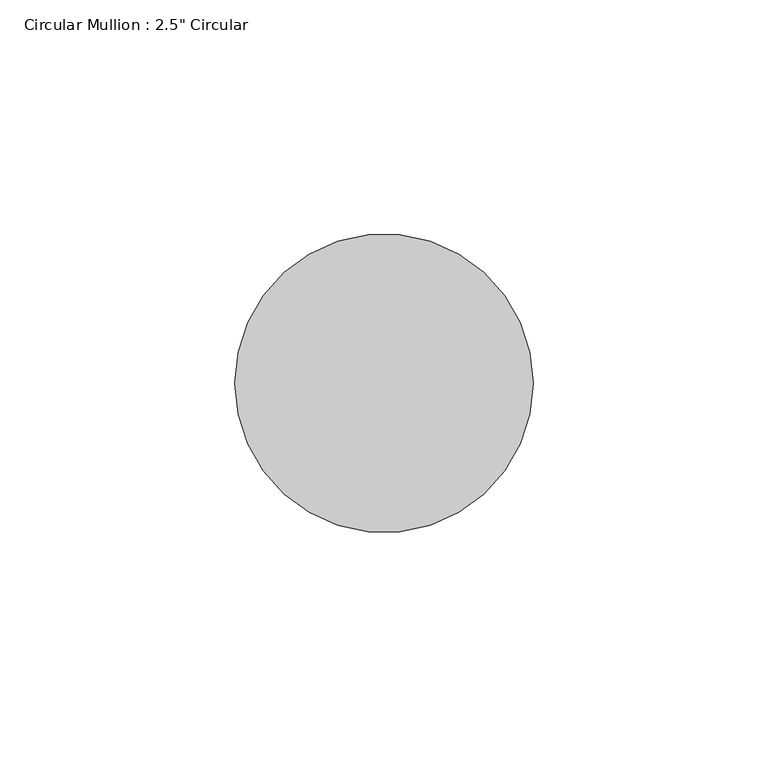
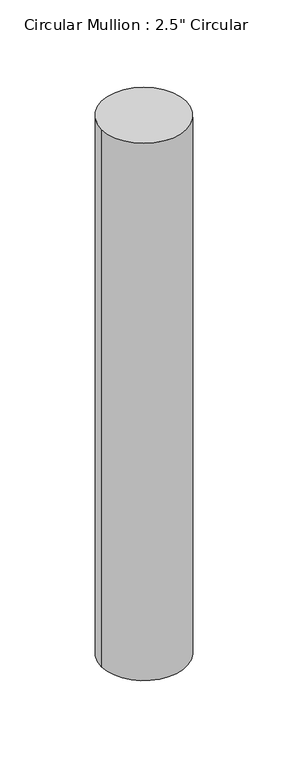
"""IFC4 building model written with IfcOpenShell, lengths in millimetres: member geometry."""

from ifc_helpers import new_model, si_unit, point, frame, origin, origin_2d, place, context, project, spatial, circle_curve, trimmed, segment, composite_curve, outline, extrude, source, transform, mapped, element, save


def member_f4f627fc(model_context):
    return source(origin(), model_context, "Body", "SweptSolid", [
        extrude(outline(composite_curve([segment(trimmed(circle_curve(origin_2d(), 31.75), [point((31.75, 0.0))], [point((-31.75, 0.0))], False, "CARTESIAN"), True, "CONTINUOUS"), segment(trimmed(circle_curve(origin_2d(), 31.75), [point((-31.75, 0.0))], [point((31.75, 0.0))], False, "CARTESIAN"), True, "CONTINUOUS")], self_intersect=False)), frame((0.0, 0.0, -425.45), z_axis=(0.0, 0.0, 1.0), x_axis=(1.0, 0.0, 0.0)), (0.0, 0.0, 1.0), 425.45),
    ])


if __name__ == "__main__":
    model = new_model("IFC4")
    model_context = context("Model", 3, world=origin())
    ifc_project = project(units=[si_unit("LENGTHUNIT", "METRE", prefix="MILLI")], contexts=[model_context])
    site = spatial("IfcSite", under=ifc_project)
    building = spatial("IfcBuilding", under=site)
    placement = place(None, origin())
    member_shape = member_f4f627fc(model_context)
    element("IfcMember", 1, ObjectType="Circular Mullion : 2.5\" Circular", at=placement, inside=building, context=model_context, shape_type="MappedRepresentation", body=[
        mapped(member_shape, transform((0.0, 0.0, 0.0), x_axis=(1.0, 0.0, 0.0), y_axis=(0.0, 1.0, 0.0), z_axis=(0.0, 0.0, 1.0))),
    ])
    save(model, "model.ifc")
